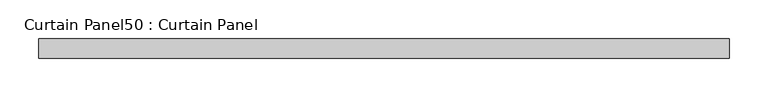
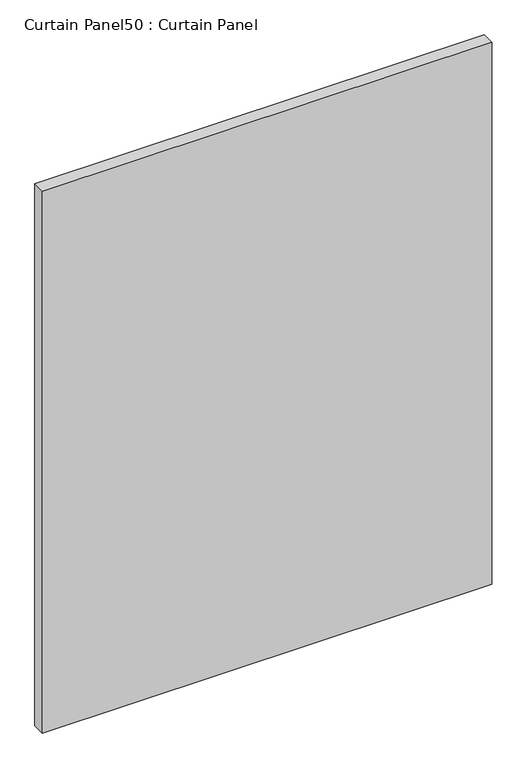
"""IFC4 building model written with IfcOpenShell, lengths in millimetres: plate geometry, Curtain Panel50 : Curtain Panel."""

import ifcopenshell
import ifcopenshell.guid

model = None  # the IFC model being written
_history = None  # IfcOwnerHistory: only IFC2X3 demands one
_inside = {}  # id of a spatial element -> (the spatial element, [elements in it])
_under = {}  # id of a project, library or spatial element -> (it, [spatial elements below it])
_declared = {}  # id of a project -> (the project, [libraries it declares])
_typed = {}  # id of a type object -> (the type object, [elements of that type])
_made_of = {}  # id of a material, layer set ... -> (it, [elements and type objects made of it])


def new_model(schema):
    """Start an empty IFC model of exactly this schema.

    Asked for "IFC4X3", IfcOpenShell would pick the latest addendum, in which some entities
    have other attributes; the version numbers below select the first issue.
    IFC2X3 requires an IfcOwnerHistory on every rooted entity: one is made here for all.
    """
    global model, _history
    if schema == "IFC4X3":
        model = ifcopenshell.file(schema_version=(4, 3, 0, 0))
    else:
        model = ifcopenshell.file(schema=schema)
    _inside.clear()
    _under.clear()
    _declared.clear()
    _typed.clear()
    _made_of.clear()
    _history = None
    if model.schema == "IFC2X3":
        org = make("IfcOrganization", Name="unknown")
        user = make(
            "IfcPersonAndOrganization",
            ThePerson=make("IfcPerson", FamilyName="unknown"),
            TheOrganization=org,
        )
        app = make(
            "IfcApplication",
            ApplicationDeveloper=org,
            Version="unknown",
            ApplicationFullName="unknown",
            ApplicationIdentifier="unknown",
        )
        _history = make(
            "IfcOwnerHistory",
            OwningUser=user,
            OwningApplication=app,
            ChangeAction="ADDED",
            CreationDate=0,
        )
    return model


def make(cls, **values):
    """One entity of the class cls with the attributes given. An attribute that is None is left unset."""
    return model.create_entity(
        cls, **{name: value for name, value in values.items() if value is not None}
    )


def rooted(cls, **values):
    """An entity with a GlobalId (a new one), such as an element, a storey or a relation."""
    return make(cls, GlobalId=ifcopenshell.guid.new(), OwnerHistory=_history, **values)


def si_unit(unit_type, name, prefix=None):
    """IfcSIUnit, for example si_unit("LENGTHUNIT", "METRE", prefix="MILLI")."""
    return make("IfcSIUnit", UnitType=unit_type, Prefix=prefix, Name=name)


def assignment(units):
    """IfcUnitAssignment: the units of a project."""
    return None if units is None else make("IfcUnitAssignment", Units=units)


def point(xyz):
    """IfcCartesianPoint."""
    return None if xyz is None else make("IfcCartesianPoint", Coordinates=xyz)


def direction(xyz):
    """IfcDirection."""
    return None if xyz is None else make("IfcDirection", DirectionRatios=xyz)


def frame(location, z_axis=None, x_axis=None):
    """IfcAxis2Placement3D, a coordinate frame: its origin and axes. An axis left out is left unset."""
    return make(
        "IfcAxis2Placement3D",
        Location=point(location),
        Axis=direction(z_axis),
        RefDirection=direction(x_axis),
    )


def origin():
    """The frame at (0, 0, 0) with its axes left unset."""
    return frame((0.0, 0.0, 0.0))


def place(relative_to, where):
    """IfcLocalPlacement: puts the frame where relative to a parent placement (None: the world)."""
    return make(
        "IfcLocalPlacement", PlacementRelTo=relative_to, RelativePlacement=where
    )


def context(
    kind, dimensions, precision=None, world=None, true_north=None, identifier=None
):
    """IfcGeometricRepresentationContext, for example the 3D "Model" context."""
    return make(
        "IfcGeometricRepresentationContext",
        ContextIdentifier=identifier,
        ContextType=kind,
        CoordinateSpaceDimension=dimensions,
        Precision=precision,
        WorldCoordinateSystem=world,
        TrueNorth=true_north,
    )


def project(units=None, contexts=None):
    """IfcProject with its units and contexts."""
    return rooted(
        "IfcProject",
        Name="project",
        RepresentationContexts=contexts,
        UnitsInContext=assignment(units),
    )


def spatial(cls, under=None, at=None, **own):
    """A site, building, storey or space (cls), placed at a placement, below another one or the project."""
    s = rooted(cls, ObjectPlacement=at, **own)
    if under is not None:
        _under.setdefault(under.id(), (under, []))[1].append(s)
    return s


def polyline(points):
    """IfcPolyline through the points."""
    return make("IfcPolyline", Points=[point(p) for p in points])


def outline(outer, holes=None, kind="AREA"):
    """IfcArbitraryClosedProfileDef: a profile drawn as a closed curve; with holes, ...WithVoids."""
    if holes is None:
        return make("IfcArbitraryClosedProfileDef", ProfileType=kind, OuterCurve=outer)
    return make(
        "IfcArbitraryProfileDefWithVoids",
        ProfileType=kind,
        OuterCurve=outer,
        InnerCurves=holes,
    )


def extrude(swept, where, along, depth):
    """IfcExtrudedAreaSolid: the profile swept, set in the frame where, extruded along a direction by depth."""
    return make(
        "IfcExtrudedAreaSolid",
        SweptArea=swept,
        Position=where,
        ExtrudedDirection=direction(along),
        Depth=depth,
    )


def shape(context_of_items, identifier, shape_type, items):
    """IfcShapeRepresentation: the items that make up one representation, for example the "Body"."""
    return make(
        "IfcShapeRepresentation",
        ContextOfItems=context_of_items,
        RepresentationIdentifier=identifier,
        RepresentationType=shape_type,
        Items=items,
    )


def source(mapping_origin, context_of_items, identifier, shape_type, items):
    """IfcRepresentationMap: a shape defined once, which mapped items show again and again."""
    return make(
        "IfcRepresentationMap",
        MappingOrigin=mapping_origin,
        MappedRepresentation=shape(context_of_items, identifier, shape_type, items),
    )


def transform(
    local_origin,
    x_axis=None,
    y_axis=None,
    z_axis=None,
    scale=None,
    scale2=None,
    scale3=None,
    uniform=True,
):
    """IfcCartesianTransformationOperator3D, or its non-uniform kind. x_axis, y_axis, z_axis: its Axis1, 2, 3."""
    if uniform:
        return make(
            "IfcCartesianTransformationOperator3D",
            Axis1=direction(x_axis),
            Axis2=direction(y_axis),
            LocalOrigin=point(local_origin),
            Scale=scale,
            Axis3=direction(z_axis),
        )
    return make(
        "IfcCartesianTransformationOperator3DnonUniform",
        Axis1=direction(x_axis),
        Axis2=direction(y_axis),
        LocalOrigin=point(local_origin),
        Scale=scale,
        Axis3=direction(z_axis),
        Scale2=scale2,
        Scale3=scale3,
    )


def mapped(mapping_source, mapping_target):
    """IfcMappedItem: shows the shape of a source again, moved by a transform."""
    return make(
        "IfcMappedItem", MappingSource=mapping_source, MappingTarget=mapping_target
    )


def made_of(thing, what):
    """Note that an element or type object is made of a material, layer set ...; save() writes the relation."""
    if what is not None:
        _made_of.setdefault(what.id(), (what, []))[1].append(thing)
    return thing


def element(
    cls,
    number,
    at=None,
    inside=None,
    cuts=None,
    type_object=None,
    material=None,
    context=None,
    identifier="Body",
    shape_type=None,
    held_by="IfcProductDefinitionShape",
    body=None,
    shapes=None,
    **own,
):
    """One element of the class cls, such as IfcWall. Its Tag is "e" and its number.

    at: its placement. inside: the storey or other place that contains it. cuts: it is an
    opening in that element (IfcRelVoidsElement). A single representation is given by context,
    identifier, shape_type and body (its items); several are given by shapes. held_by: the class
    of the entity that holds the representations. save() writes the other relations.
    """
    e = rooted(cls, Tag="e%d" % number, ObjectPlacement=at, **own)
    if body is not None:
        shapes = [shape(context, identifier, shape_type, body)]
    if shapes is not None:
        e.Representation = make(held_by, Representations=shapes)
    if inside is not None:
        _inside.setdefault(inside.id(), (inside, []))[1].append(e)
    if cuts is not None:
        rooted(
            "IfcRelVoidsElement", RelatingBuildingElement=cuts, RelatedOpeningElement=e
        )
    if type_object is not None:
        _typed.setdefault(type_object.id(), (type_object, []))[1].append(e)
    return made_of(e, material)


def aggregate(whole, parts):
    """IfcRelAggregates: a whole, such as a stair, and the parts it consists of."""
    return rooted("IfcRelAggregates", RelatingObject=whole, RelatedObjects=parts)


def save(model, path):
    """Write the relations noted so far, then the file.

    IfcRelAggregates (storeys below a building ...), IfcRelContainedInSpatialStructure (elements
    in a storey), IfcRelDefinesByType, IfcRelAssociatesMaterial and IfcRelDeclares: one each for
    every whole, place, type object, material and project.
    """
    for whole, parts in _under.values():
        aggregate(whole, parts)
    for where, things in _inside.values():
        rooted(
            "IfcRelContainedInSpatialStructure",
            RelatedElements=things,
            RelatingStructure=where,
        )
    for kind, things in _typed.values():
        rooted("IfcRelDefinesByType", RelatedObjects=things, RelatingType=kind)
    for what, things in _made_of.values():
        rooted("IfcRelAssociatesMaterial", RelatedObjects=things, RelatingMaterial=what)
    for by, libraries in _declared.values():
        rooted("IfcRelDeclares", RelatingContext=by, RelatedDefinitions=libraries)
    model.write(path)


def curtain_panel50_curtain_panel_ef713fc7(model_context):
    return source(origin(), model_context, "Body", "SweptSolid", [
        extrude(outline(polyline([(-40990.1811382, -3859.9631042), (-41885.5309118, -3859.9631042), (-41885.5309118, -3834.5631042), (-40990.1811382, -3834.5631042), (-40990.1811382, -3859.9631042)])), frame((0.0, 0.0, 2447.925), z_axis=(0.0, 0.0, 1.0), x_axis=(1.0, 0.0, 0.0)), (0.0, 0.0, 1.0), 1141.8462759),
    ])


if __name__ == "__main__":
    model = new_model("IFC4")
    model_context = context("Model", 3, world=origin())
    ifc_project = project(units=[si_unit("LENGTHUNIT", "METRE", prefix="MILLI")], contexts=[model_context])
    site = spatial("IfcSite", under=ifc_project)
    building = spatial("IfcBuilding", under=site)
    placement = place(None, origin())
    curtain_panel50_curtain_panel_shape = curtain_panel50_curtain_panel_ef713fc7(model_context)
    element("IfcPlate", 1, ObjectType="Curtain Panel50 : Curtain Panel", at=placement, inside=building, context=model_context, shape_type="MappedRepresentation", body=[
        mapped(curtain_panel50_curtain_panel_shape, transform((0.0, 0.0, 0.0), x_axis=(1.0, 0.0, 0.0), y_axis=(0.0, 1.0, 0.0), z_axis=(0.0, 0.0, 1.0))),
    ])
    save(model, "model.ifc")
